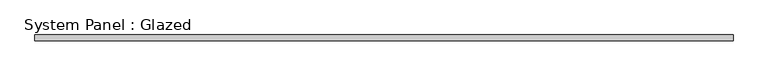
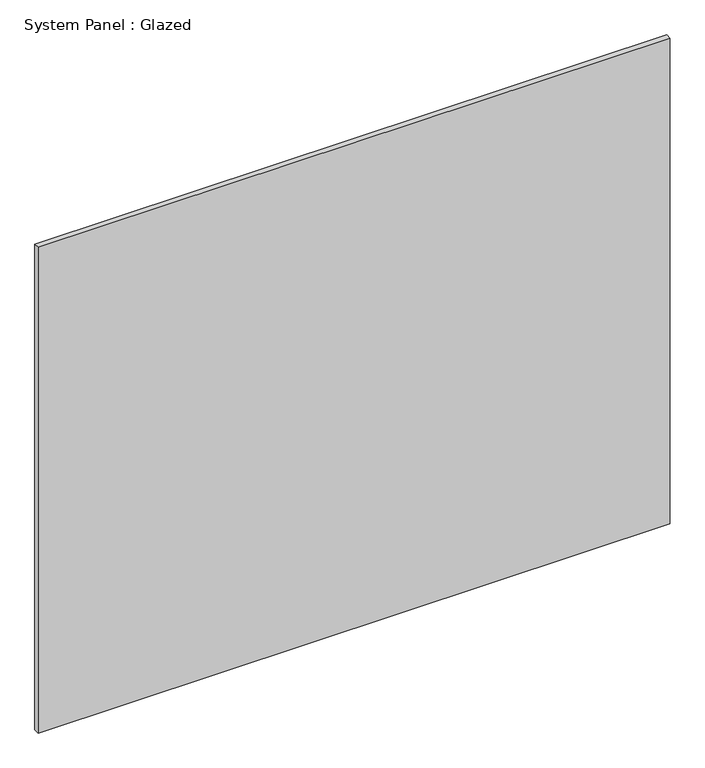
"""IFC4 building model written with IfcOpenShell, lengths in millimetres: plate geometry, System Panel : Glazed."""

from ifc_helpers import new_model, si_unit, origin, origin_with_axes, place, context, project, spatial, polyline, outline, extrude, source, transform, mapped, element, save


def system_panel_glazed_4b5e201f(model_context):
    return source(origin(), model_context, "Body", "SweptSolid", [
        extrude(outline(polyline([(1461.77, 19.05), (-1461.77, 19.05), (-1461.77, 44.45), (1461.77, 44.45), (1461.77, 19.05)])), origin_with_axes(), (0.0, 0.0, 1.0), 2374.9),
    ])


if __name__ == "__main__":
    model = new_model("IFC4")
    model_context = context("Model", 3, world=origin())
    ifc_project = project(units=[si_unit("LENGTHUNIT", "METRE", prefix="MILLI")], contexts=[model_context])
    site = spatial("IfcSite", under=ifc_project)
    building = spatial("IfcBuilding", under=site)
    placement = place(None, origin())
    system_panel_glazed_shape = system_panel_glazed_4b5e201f(model_context)
    element("IfcPlate", 1, ObjectType="System Panel : Glazed", at=placement, inside=building, context=model_context, shape_type="MappedRepresentation", body=[
        mapped(system_panel_glazed_shape, transform((0.0, 0.0, 0.0), x_axis=(1.0, 0.0, 0.0), y_axis=(0.0, 1.0, 0.0), z_axis=(0.0, 0.0, 1.0))),
    ])
    save(model, "model.ifc")
